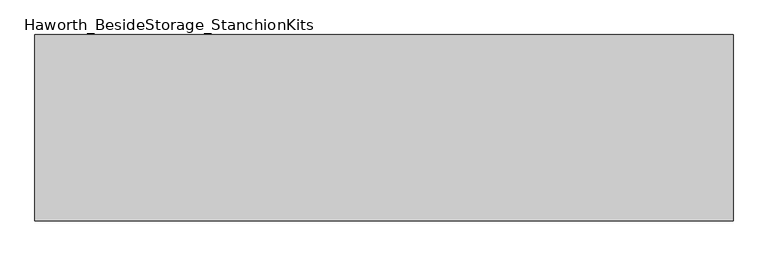
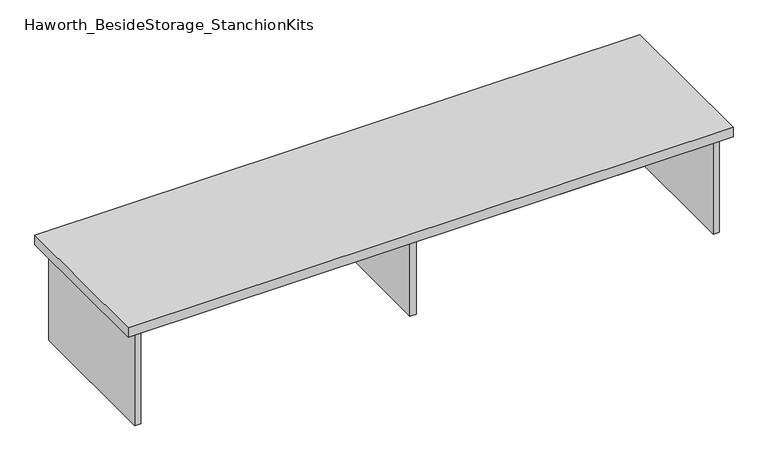
"""IFC4 building model written with IfcOpenShell, lengths in millimetres: furniture geometry, Haworth_BesideStorage_StanchionKits."""

from ifc_helpers import new_model, si_unit, frame, origin, place, context, project, spatial, polyline, outline, extrude, source, transform, mapped, element, save


def haworth_besidestorage_stanchionkits_06324df8(model_context):
    return source(origin(), model_context, "Body", "SweptSolid", [
        extrude(outline(polyline([(923.925, 0.0), (923.925, -406.4), (-600.075, -406.4), (-600.075, 0.0), (923.925, 0.0)])), frame((0.0, 0.0, 685.8), z_axis=(0.0, 0.0, 1.0), x_axis=(1.0, 0.0, 0.0)), (0.0, 0.0, 1.0), 25.4),
        extrude(outline(polyline([(169.8625, -76.2), (882.65, -76.2), (882.65, -92.075), (169.8625, -92.075), (169.8625, -76.2)])), frame((0.0, 0.0, 431.8), z_axis=(0.0, 0.0, 1.0), x_axis=(1.0, 0.0, 0.0)), (0.0, 0.0, 1.0), 254.0),
        extrude(outline(polyline([(169.8625, -330.2), (153.9875, -330.2), (153.9875, -76.2), (169.8625, -76.2), (169.8625, -330.2)])), frame((0.0, 0.0, 431.8), z_axis=(0.0, 0.0, 1.0), x_axis=(1.0, 0.0, 0.0)), (0.0, 0.0, 1.0), 254.0),
        extrude(outline(polyline([(898.525, -390.525), (882.65, -390.525), (882.65, -15.875), (898.525, -15.875), (898.525, -390.525)])), frame((0.0, 0.0, 431.8), z_axis=(0.0, 0.0, 1.0), x_axis=(1.0, 0.0, 0.0)), (0.0, 0.0, 1.0), 254.0),
        extrude(outline(polyline([(-558.8, -390.525), (-574.675, -390.525), (-574.675, -15.875), (-558.8, -15.875), (-558.8, -390.525)])), frame((0.0, 0.0, 431.8), z_axis=(0.0, 0.0, 1.0), x_axis=(1.0, 0.0, 0.0)), (0.0, 0.0, 1.0), 254.0),
    ])


if __name__ == "__main__":
    model = new_model("IFC4")
    model_context = context("Model", 3, world=origin())
    ifc_project = project(units=[si_unit("LENGTHUNIT", "METRE", prefix="MILLI")], contexts=[model_context])
    site = spatial("IfcSite", under=ifc_project)
    building = spatial("IfcBuilding", under=site)
    placement = place(None, origin())
    haworth_besidestorage_stanchionkits_shape = haworth_besidestorage_stanchionkits_06324df8(model_context)
    element("IfcFurniture", 1, ObjectType="Haworth_BesideStorage_StanchionKits", at=placement, inside=building, context=model_context, shape_type="MappedRepresentation", body=[
        mapped(haworth_besidestorage_stanchionkits_shape, transform((0.0, 0.0, 0.0), x_axis=(1.0, 0.0, 0.0), y_axis=(0.0, 1.0, 0.0), z_axis=(0.0, 0.0, 1.0))),
    ])
    save(model, "model.ifc")
